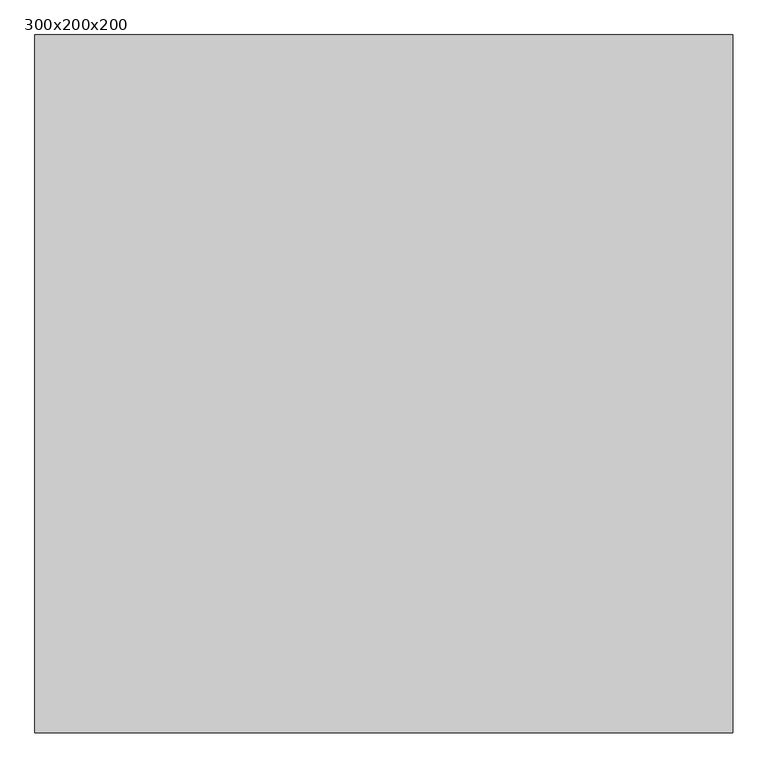
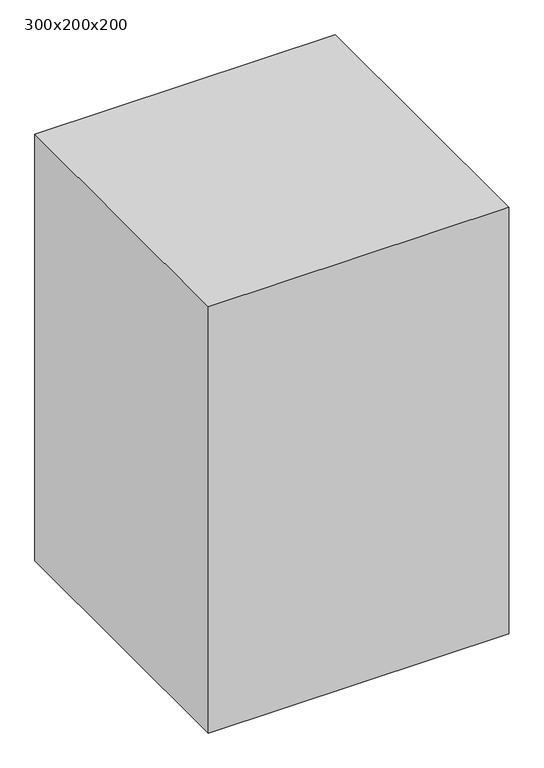
"""IFC4 building model written with IfcOpenShell, lengths in millimetres: proxy geometry, 300x200x200."""

import ifcopenshell
import ifcopenshell.guid

model = None  # the IFC model being written
_history = None  # IfcOwnerHistory: only IFC2X3 demands one
_inside = {}  # id of a spatial element -> (the spatial element, [elements in it])
_under = {}  # id of a project, library or spatial element -> (it, [spatial elements below it])
_declared = {}  # id of a project -> (the project, [libraries it declares])
_typed = {}  # id of a type object -> (the type object, [elements of that type])
_made_of = {}  # id of a material, layer set ... -> (it, [elements and type objects made of it])


def new_model(schema):
    """Start an empty IFC model of exactly this schema.

    Asked for "IFC4X3", IfcOpenShell would pick the latest addendum, in which some entities
    have other attributes; the version numbers below select the first issue.
    IFC2X3 requires an IfcOwnerHistory on every rooted entity: one is made here for all.
    """
    global model, _history
    if schema == "IFC4X3":
        model = ifcopenshell.file(schema_version=(4, 3, 0, 0))
    else:
        model = ifcopenshell.file(schema=schema)
    _inside.clear()
    _under.clear()
    _declared.clear()
    _typed.clear()
    _made_of.clear()
    _history = None
    if model.schema == "IFC2X3":
        org = make("IfcOrganization", Name="unknown")
        user = make(
            "IfcPersonAndOrganization",
            ThePerson=make("IfcPerson", FamilyName="unknown"),
            TheOrganization=org,
        )
        app = make(
            "IfcApplication",
            ApplicationDeveloper=org,
            Version="unknown",
            ApplicationFullName="unknown",
            ApplicationIdentifier="unknown",
        )
        _history = make(
            "IfcOwnerHistory",
            OwningUser=user,
            OwningApplication=app,
            ChangeAction="ADDED",
            CreationDate=0,
        )
    return model


def make(cls, **values):
    """One entity of the class cls with the attributes given. An attribute that is None is left unset."""
    return model.create_entity(
        cls, **{name: value for name, value in values.items() if value is not None}
    )


def rooted(cls, **values):
    """An entity with a GlobalId (a new one), such as an element, a storey or a relation."""
    return make(cls, GlobalId=ifcopenshell.guid.new(), OwnerHistory=_history, **values)


def si_unit(unit_type, name, prefix=None):
    """IfcSIUnit, for example si_unit("LENGTHUNIT", "METRE", prefix="MILLI")."""
    return make("IfcSIUnit", UnitType=unit_type, Prefix=prefix, Name=name)


def assignment(units):
    """IfcUnitAssignment: the units of a project."""
    return None if units is None else make("IfcUnitAssignment", Units=units)


def point(xyz):
    """IfcCartesianPoint."""
    return None if xyz is None else make("IfcCartesianPoint", Coordinates=xyz)


def direction(xyz):
    """IfcDirection."""
    return None if xyz is None else make("IfcDirection", DirectionRatios=xyz)


def frame(location, z_axis=None, x_axis=None):
    """IfcAxis2Placement3D, a coordinate frame: its origin and axes. An axis left out is left unset."""
    return make(
        "IfcAxis2Placement3D",
        Location=point(location),
        Axis=direction(z_axis),
        RefDirection=direction(x_axis),
    )


def origin():
    """The frame at (0, 0, 0) with its axes left unset."""
    return frame((0.0, 0.0, 0.0))


def origin_with_axes():
    """The frame at (0, 0, 0) with the z axis (0, 0, 1) and the x axis (1, 0, 0) written out."""
    return frame((0.0, 0.0, 0.0), z_axis=(0.0, 0.0, 1.0), x_axis=(1.0, 0.0, 0.0))


def place(relative_to, where):
    """IfcLocalPlacement: puts the frame where relative to a parent placement (None: the world)."""
    return make(
        "IfcLocalPlacement", PlacementRelTo=relative_to, RelativePlacement=where
    )


def context(
    kind, dimensions, precision=None, world=None, true_north=None, identifier=None
):
    """IfcGeometricRepresentationContext, for example the 3D "Model" context."""
    return make(
        "IfcGeometricRepresentationContext",
        ContextIdentifier=identifier,
        ContextType=kind,
        CoordinateSpaceDimension=dimensions,
        Precision=precision,
        WorldCoordinateSystem=world,
        TrueNorth=true_north,
    )


def project(units=None, contexts=None):
    """IfcProject with its units and contexts."""
    return rooted(
        "IfcProject",
        Name="project",
        RepresentationContexts=contexts,
        UnitsInContext=assignment(units),
    )


def spatial(cls, under=None, at=None, **own):
    """A site, building, storey or space (cls), placed at a placement, below another one or the project."""
    s = rooted(cls, ObjectPlacement=at, **own)
    if under is not None:
        _under.setdefault(under.id(), (under, []))[1].append(s)
    return s


def polyline(points):
    """IfcPolyline through the points."""
    return make("IfcPolyline", Points=[point(p) for p in points])


def outline(outer, holes=None, kind="AREA"):
    """IfcArbitraryClosedProfileDef: a profile drawn as a closed curve; with holes, ...WithVoids."""
    if holes is None:
        return make("IfcArbitraryClosedProfileDef", ProfileType=kind, OuterCurve=outer)
    return make(
        "IfcArbitraryProfileDefWithVoids",
        ProfileType=kind,
        OuterCurve=outer,
        InnerCurves=holes,
    )


def extrude(swept, where, along, depth):
    """IfcExtrudedAreaSolid: the profile swept, set in the frame where, extruded along a direction by depth."""
    return make(
        "IfcExtrudedAreaSolid",
        SweptArea=swept,
        Position=where,
        ExtrudedDirection=direction(along),
        Depth=depth,
    )


def shape(context_of_items, identifier, shape_type, items):
    """IfcShapeRepresentation: the items that make up one representation, for example the "Body"."""
    return make(
        "IfcShapeRepresentation",
        ContextOfItems=context_of_items,
        RepresentationIdentifier=identifier,
        RepresentationType=shape_type,
        Items=items,
    )


def source(mapping_origin, context_of_items, identifier, shape_type, items):
    """IfcRepresentationMap: a shape defined once, which mapped items show again and again."""
    return make(
        "IfcRepresentationMap",
        MappingOrigin=mapping_origin,
        MappedRepresentation=shape(context_of_items, identifier, shape_type, items),
    )


def transform(
    local_origin,
    x_axis=None,
    y_axis=None,
    z_axis=None,
    scale=None,
    scale2=None,
    scale3=None,
    uniform=True,
):
    """IfcCartesianTransformationOperator3D, or its non-uniform kind. x_axis, y_axis, z_axis: its Axis1, 2, 3."""
    if uniform:
        return make(
            "IfcCartesianTransformationOperator3D",
            Axis1=direction(x_axis),
            Axis2=direction(y_axis),
            LocalOrigin=point(local_origin),
            Scale=scale,
            Axis3=direction(z_axis),
        )
    return make(
        "IfcCartesianTransformationOperator3DnonUniform",
        Axis1=direction(x_axis),
        Axis2=direction(y_axis),
        LocalOrigin=point(local_origin),
        Scale=scale,
        Axis3=direction(z_axis),
        Scale2=scale2,
        Scale3=scale3,
    )


def mapped(mapping_source, mapping_target):
    """IfcMappedItem: shows the shape of a source again, moved by a transform."""
    return make(
        "IfcMappedItem", MappingSource=mapping_source, MappingTarget=mapping_target
    )


def made_of(thing, what):
    """Note that an element or type object is made of a material, layer set ...; save() writes the relation."""
    if what is not None:
        _made_of.setdefault(what.id(), (what, []))[1].append(thing)
    return thing


def element(
    cls,
    number,
    at=None,
    inside=None,
    cuts=None,
    type_object=None,
    material=None,
    context=None,
    identifier="Body",
    shape_type=None,
    held_by="IfcProductDefinitionShape",
    body=None,
    shapes=None,
    **own,
):
    """One element of the class cls, such as IfcWall. Its Tag is "e" and its number.

    at: its placement. inside: the storey or other place that contains it. cuts: it is an
    opening in that element (IfcRelVoidsElement). A single representation is given by context,
    identifier, shape_type and body (its items); several are given by shapes. held_by: the class
    of the entity that holds the representations. save() writes the other relations.
    """
    e = rooted(cls, Tag="e%d" % number, ObjectPlacement=at, **own)
    if body is not None:
        shapes = [shape(context, identifier, shape_type, body)]
    if shapes is not None:
        e.Representation = make(held_by, Representations=shapes)
    if inside is not None:
        _inside.setdefault(inside.id(), (inside, []))[1].append(e)
    if cuts is not None:
        rooted(
            "IfcRelVoidsElement", RelatingBuildingElement=cuts, RelatedOpeningElement=e
        )
    if type_object is not None:
        _typed.setdefault(type_object.id(), (type_object, []))[1].append(e)
    return made_of(e, material)


def aggregate(whole, parts):
    """IfcRelAggregates: a whole, such as a stair, and the parts it consists of."""
    return rooted("IfcRelAggregates", RelatingObject=whole, RelatedObjects=parts)


def save(model, path):
    """Write the relations noted so far, then the file.

    IfcRelAggregates (storeys below a building ...), IfcRelContainedInSpatialStructure (elements
    in a storey), IfcRelDefinesByType, IfcRelAssociatesMaterial and IfcRelDeclares: one each for
    every whole, place, type object, material and project.
    """
    for whole, parts in _under.values():
        aggregate(whole, parts)
    for where, things in _inside.values():
        rooted(
            "IfcRelContainedInSpatialStructure",
            RelatedElements=things,
            RelatingStructure=where,
        )
    for kind, things in _typed.values():
        rooted("IfcRelDefinesByType", RelatedObjects=things, RelatingType=kind)
    for what, things in _made_of.values():
        rooted("IfcRelAssociatesMaterial", RelatedObjects=things, RelatingMaterial=what)
    for by, libraries in _declared.values():
        rooted("IfcRelDeclares", RelatingContext=by, RelatedDefinitions=libraries)
    model.write(path)


def proxy_300x200x200_d277a7c8(model_context):
    return source(origin(), model_context, "Body", "SweptSolid", [
        extrude(outline(polyline([(2000.0, 2000.0), (2000.0, 0.0), (0.0, 0.0), (0.0, 2000.0), (2000.0, 2000.0)])), origin_with_axes(), (0.0, 0.0, 1.0), 3000.0),
    ])


if __name__ == "__main__":
    model = new_model("IFC4")
    model_context = context("Model", 3, world=origin())
    ifc_project = project(units=[si_unit("LENGTHUNIT", "METRE", prefix="MILLI")], contexts=[model_context])
    site = spatial("IfcSite", under=ifc_project)
    building = spatial("IfcBuilding", under=site)
    placement = place(None, origin())
    proxy_300x200x200_shape = proxy_300x200x200_d277a7c8(model_context)
    element("IfcBuildingElementProxy", 1, Name="300x200x200", ObjectType="300x200x200", at=placement, inside=building, context=model_context, shape_type="MappedRepresentation", body=[
        mapped(proxy_300x200x200_shape, transform((0.0, 0.0, 0.0), x_axis=(1.0, 0.0, 0.0), y_axis=(0.0, 1.0, 0.0), z_axis=(0.0, 0.0, 1.0))),
    ])
    save(model, "model.ifc")
